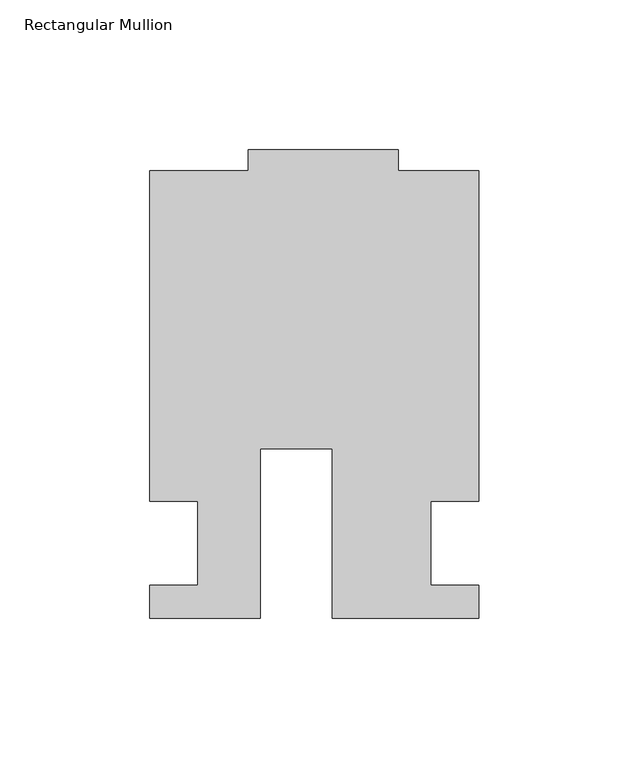
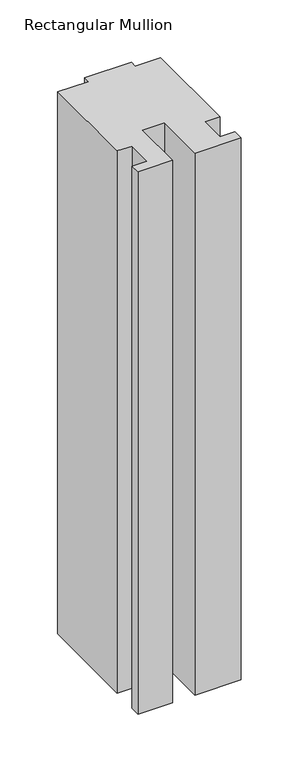
"""IFC4 building model written with IfcOpenShell, lengths in millimetres: member geometry, Rectangular Mullion."""

from ifc_helpers import new_model, si_unit, frame, origin, place, context, project, spatial, polyline, outline, extrude, source, transform, mapped, element, save


def rectangular_mullion_e4275fbc(model_context):
    return source(origin(), model_context, "Body", "SweptSolid", [
        extrude(outline(polyline([(-24.0309529, -25.0), (-60.9971154, -25.0), (-60.9971154, -14.0), (-44.9942308, -14.0), (-44.9942308, 13.9998907), (-60.9971154, 13.9998907), (-60.9971154, 124.4999439), (-27.9971154, 124.4999439), (-27.9971154, 131.5), (22.0028846, 131.5), (22.0028846, 124.5), (49.0, 124.5), (49.0, 14.0), (33.0, 14.0), (33.0, -14.0), (49.0, -14.0), (49.0, -25.0), (0.0028846, -25.0), (0.0028846, 31.6008577), (-24.0309529, 31.6008577), (-24.0309529, -25.0)])), frame((0.0, 0.0, -613.2487321), z_axis=(0.0, 0.0, 1.0), x_axis=(1.0, 0.0, 0.0)), (0.0, 0.0, 1.0), 613.2487321),
    ])


if __name__ == "__main__":
    model = new_model("IFC4")
    model_context = context("Model", 3, world=origin())
    ifc_project = project(units=[si_unit("LENGTHUNIT", "METRE", prefix="MILLI")], contexts=[model_context])
    site = spatial("IfcSite", under=ifc_project)
    building = spatial("IfcBuilding", under=site)
    placement = place(None, origin())
    rectangular_mullion_shape = rectangular_mullion_e4275fbc(model_context)
    element("IfcMember", 1, ObjectType="Rectangular Mullion", at=placement, inside=building, context=model_context, shape_type="MappedRepresentation", body=[
        mapped(rectangular_mullion_shape, transform((0.0, 0.0, 0.0), x_axis=(1.0, 0.0, 0.0), y_axis=(0.0, 1.0, 0.0), z_axis=(0.0, 0.0, 1.0))),
    ])
    save(model, "model.ifc")
